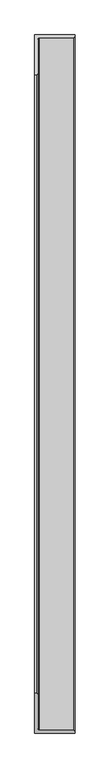
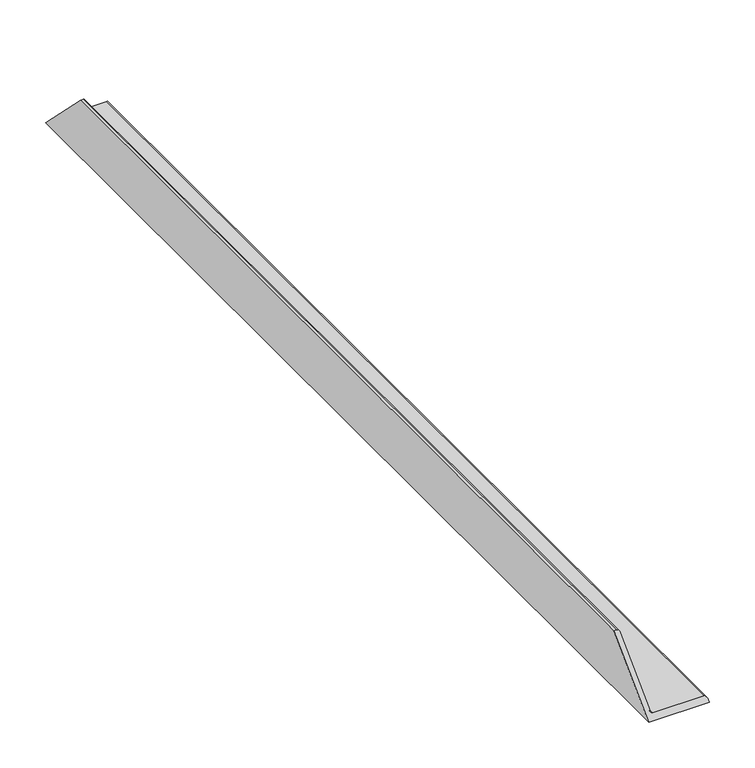
"""IFC4 building model written with IfcOpenShell, lengths in millimetres: proxy geometry."""

from ifc_helpers import new_model, si_unit, frame, origin, place, context, project, spatial, polyline, ellipse_curve, source, transform, mapped, element, save
from ifc_brep_helpers import plane_surface, cylinder_surface, revolved_surface, advanced_brep


def specialty_equipment_13de1dbd(model_context):
    return source(origin(), model_context, "Body", "AdvancedBrep", [
        advanced_brep(
        [(6.35, -73.025, 73.025), (6.35, -1247.3225995, 73.025), (6.35, -1312.4100995, 7.9375), (6.35, -7.9375, 7.9375), (7.9375, -1313.9975995, 6.35), (7.9375, -6.35, 6.35), (73.025, -1313.9975995, 6.35), (73.025, -6.35, 6.35), (76.2, -1317.1725995, 3.175), (76.2, -3.175, 3.175), (76.2, -1320.3475995, 0.0), (76.2, 0.0, 0.0), (0.0, -1320.3475995, 0.0), (0.0, 0.0, 0.0), (0.0, -1244.1475995, 76.2), (0.0, -76.2, 76.2), (3.175, -1244.1475995, 76.2), (3.175, -76.2, 76.2)],
        [
            (0, 1),
            (1, 2),
            (2, 3),
            (3, 0),
            (2, 4, ellipse_curve(frame((7.9375, -1312.4100995, 7.9375), z_axis=(0.0, -0.7071067811865488, 0.7071067811865462), x_axis=(0.0, -0.7071067811865462, -0.7071067811865488)), 2.245064, 1.5875)),
            (4, 5),
            (5, 3, ellipse_curve(frame((7.9375, -7.9375, 7.9375), z_axis=(0.0, 0.7071067811865394, 0.7071067811865557), x_axis=(0.0, -0.7071067811865557, 0.7071067811865394)), 2.245064, 1.5875)),
            (4, 6),
            (6, 7),
            (7, 5),
            (6, 8, ellipse_curve(frame((73.025, -1317.1725995, 3.175), z_axis=(0.0, 0.7071067811865488, -0.7071067811865462), x_axis=(0.0, 0.7071067811865462, 0.7071067811865488)), 4.4901281, 3.175)),
            (8, 9),
            (9, 7, ellipse_curve(frame((73.025, -3.175, 3.175), z_axis=(0.0, -0.7071067811865394, -0.7071067811865557), x_axis=(0.0, 0.7071067811865557, -0.7071067811865394)), 4.4901281, 3.175)),
            (10, 11),
            (11, 9),
            (8, 10),
            (10, 12),
            (12, 13),
            (13, 11),
            (12, 14),
            (14, 15),
            (15, 13),
            (14, 16),
            (16, 17),
            (17, 15),
            (0, 17, ellipse_curve(frame((3.175, -73.025, 73.025), z_axis=(0.0, -0.7071067811865394, -0.7071067811865557), x_axis=(0.0, 0.7071067811865557, -0.7071067811865394)), 4.4901281, 3.175)),
            (16, 1, ellipse_curve(frame((3.175, -1247.3225995, 73.025), z_axis=(0.0, 0.7071067811865488, -0.7071067811865462), x_axis=(0.0, 0.7071067811865462, 0.7071067811865488)), 4.4901281, 3.175)),
        ],
        [
            plane_surface(frame((6.35, 0.0, 73.025), z_axis=(1.0, 0.0, 0.0), x_axis=(0.0, -1.0, 0.0))),
            revolved_surface(polyline([(9.525, -1313.9975995, 7.9375), (9.525, -6.35, 7.9375)]), (7.9375, 0.0, 7.9375), (0.0, -1.0, 0.0)),
            plane_surface(frame((7.9375, 0.0, 6.35), z_axis=(0.0, 0.0, 1.0), x_axis=(0.0, -1.0, 0.0))),
            cylinder_surface(frame((73.025, 0.0, 3.175), z_axis=(0.0, 1.0, 0.0), x_axis=(1.0, 0.0, 0.0)), 3.175),
            plane_surface(frame((76.2, 0.0, 3.175), z_axis=(1.0, 0.0, 0.0), x_axis=(0.0, -1.0, 0.0))),
            plane_surface(frame((76.2, 0.0, 0.0), z_axis=(0.0, 0.0, -1.0), x_axis=(0.0, -1.0, 0.0))),
            plane_surface(frame((0.0, 0.0, 0.0), z_axis=(-1.0, 0.0, 0.0), x_axis=(0.0, -1.0, 0.0))),
            plane_surface(frame((0.0, 0.0, 76.2), z_axis=(0.0, 0.0, 1.0), x_axis=(0.0, -1.0, 0.0))),
            cylinder_surface(frame((3.175, 0.0, 73.025), z_axis=(0.0, 1.0, 0.0), x_axis=(1.0, 0.0, 0.0)), 3.175),
            plane_surface(frame((76.2, -76.2, 76.2), z_axis=(0.0, 0.7071067811865394, 0.7071067811865557), x_axis=(-1.0, 0.0, 0.0))),
            plane_surface(frame((76.2, -1320.3475995, 0.0), z_axis=(0.0, -0.7071067811865488, 0.7071067811865462), x_axis=(-1.0, 0.0, 0.0))),
        ],
        [
            (0, [[1, 2, 3, 4]]),
            (1, [[-3, 5, 6, 7]]),
            (2, [[-6, 8, 9, 10]]),
            (3, [[-9, 11, 12, 13]]),
            (4, [[14, 15, -12, 16]]),
            (5, [[-14, 17, 18, 19]]),
            (6, [[-18, 20, 21, 22]]),
            (7, [[-21, 23, 24, 25]]),
            (8, [[-1, 26, -24, 27]]),
            (9, [[-4, -7, -10, -13, -15, -19, -22, -25, -26]]),
            (10, [[-2, -27, -23, -20, -17, -16, -11, -8, -5]]),
        ],
    ),
    ])


if __name__ == "__main__":
    model = new_model("IFC4")
    model_context = context("Model", 3, world=origin())
    ifc_project = project(units=[si_unit("LENGTHUNIT", "METRE", prefix="MILLI")], contexts=[model_context])
    site = spatial("IfcSite", under=ifc_project)
    building = spatial("IfcBuilding", under=site)
    placement = place(None, origin())
    specialty_equipment_shape = specialty_equipment_13de1dbd(model_context)
    element("IfcBuildingElementProxy", 1, Name="Specialty Equipment", at=placement, inside=building, context=model_context, shape_type="MappedRepresentation", body=[
        mapped(specialty_equipment_shape, transform((0.0, 0.0, 0.0), x_axis=(1.0, 0.0, 0.0), y_axis=(0.0, 1.0, 0.0), z_axis=(0.0, 0.0, 1.0))),
    ])
    save(model, "model.ifc")
